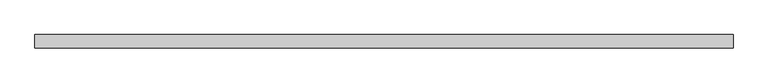
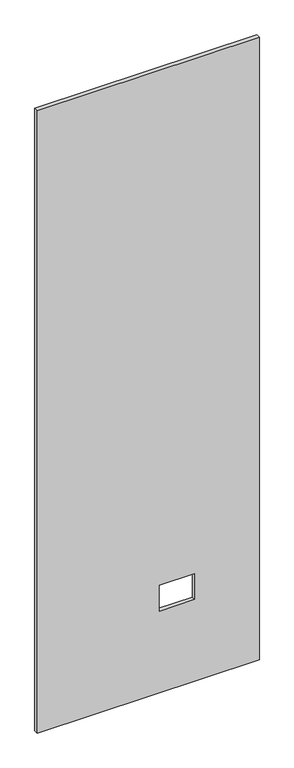
"""IFC4 building model written with IfcOpenShell, lengths in millimetres: proxy geometry."""

from ifc_helpers import new_model, si_unit, frame, origin, place, context, project, spatial, polyline, outline, extrude, source, transform, mapped, element, save


def specialty_equipment_d84d00ac(model_context):
    return source(origin(), model_context, "Body", "SweptSolid", [
        extrude(outline(polyline([(2999.5368001, -506.1204), (3.175, -506.1204), (3.175, 506.1204), (2999.5368001, 506.1204), (2999.5368001, -506.1204)]), holes=[polyline([(395.4526, 211.8868), (395.4526, 51.3588), (518.9474, 51.3588), (518.9474, 211.8868), (395.4526, 211.8868)])]), frame((0.0, -9.525, 0.0), z_axis=(0.0, 1.0, 0.0), x_axis=(0.0, 0.0, 1.0)), (0.0, 0.0, 1.0), 19.05),
    ])


if __name__ == "__main__":
    model = new_model("IFC4")
    model_context = context("Model", 3, world=origin())
    ifc_project = project(units=[si_unit("LENGTHUNIT", "METRE", prefix="MILLI")], contexts=[model_context])
    site = spatial("IfcSite", under=ifc_project)
    building = spatial("IfcBuilding", under=site)
    placement = place(None, origin())
    specialty_equipment_shape = specialty_equipment_d84d00ac(model_context)
    element("IfcBuildingElementProxy", 1, Name="Specialty Equipment", at=placement, inside=building, context=model_context, shape_type="MappedRepresentation", body=[
        mapped(specialty_equipment_shape, transform((0.0, 0.0, 0.0), x_axis=(1.0, 0.0, 0.0), y_axis=(0.0, 1.0, 0.0), z_axis=(0.0, 0.0, 1.0))),
    ])
    save(model, "model.ifc")
